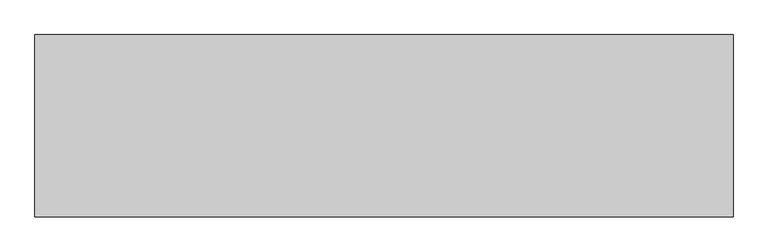
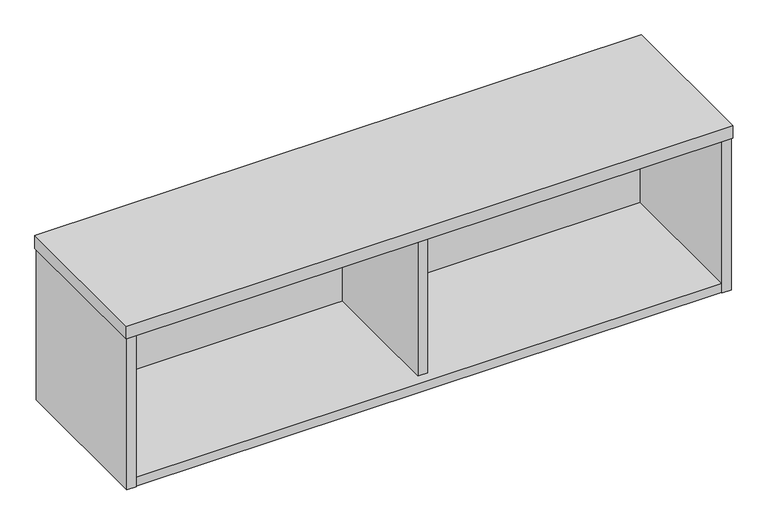
"""IFC4 building model written with IfcOpenShell, lengths in millimetres: furniture geometry."""

from ifc_helpers import new_model, si_unit, frame, origin, place, context, project, spatial, polyline, outline, extrude, source, transform, mapped, element, save


def furniture_e7ce7535(model_context):
    return source(origin(), model_context, "Body", "SweptSolid", [
        extrude(outline(polyline([(619.2519908, -31.2419997), (619.2519908, -294.131992), (599.9480092, -294.131992), (599.9480092, -31.2419997), (619.2519908, -31.2419997)])), frame((0.0, 0.0, 816.4830116), z_axis=(0.0, 0.0, 1.0), x_axis=(1.0, 0.0, 0.0)), (0.0, 0.0, 1.0), 302.209194),
        extrude(outline(polyline([(22.3519787, -31.2419997), (22.3519787, -11.1759996), (1196.8480213, -11.1759996), (1196.8480213, -31.2419997), (22.3519787, -31.2419997)])), frame((0.0, 0.0, 816.4830116), z_axis=(0.0, 0.0, 1.0), x_axis=(1.0, 0.0, 0.0)), (0.0, 0.0, 1.0), 302.209194),
        extrude(outline(polyline([(1196.8480213, -3.0479999), (1196.8480213, -314.4519908), (22.3519787, -314.4519908), (22.3519787, -3.0479999), (1196.8480213, -3.0479999)])), frame((0.0, 0.0, 797.179), z_axis=(0.0, 0.0, 1.0), x_axis=(1.0, 0.0, 0.0)), (0.0, 0.0, 1.0), 19.3040116),
        extrude(outline(polyline([(22.3519787, -315.9759893), (3.0479971, -315.9759893), (3.0479971, -1.524), (22.3519787, -1.524), (22.3519787, -315.9759893)])), frame((0.0, 0.0, 797.179), z_axis=(0.0, 0.0, 1.0), x_axis=(1.0, 0.0, 0.0)), (0.0, 0.0, 1.0), 321.5132056),
        extrude(outline(polyline([(1216.1520029, -315.9759893), (1196.8480213, -315.9759893), (1196.8480213, -1.524), (1216.1520029, -1.524), (1216.1520029, -315.9759893)])), frame((0.0, 0.0, 797.179), z_axis=(0.0, 0.0, 1.0), x_axis=(1.0, 0.0, 0.0)), (0.0, 0.0, 1.0), 321.5132056),
        extrude(outline(polyline([(1.524, -317.5), (1.524, 0.0), (1217.6759651, 0.0), (1217.6759651, -317.5), (1.524, -317.5)])), frame((0.0, 0.0, 1118.6922056), z_axis=(0.0, 0.0, 1.0), x_axis=(1.0, 0.0, 0.0)), (0.0, 0.0, 1.0), 26.9240107),
    ])


if __name__ == "__main__":
    model = new_model("IFC4")
    model_context = context("Model", 3, world=origin())
    ifc_project = project(units=[si_unit("LENGTHUNIT", "METRE", prefix="MILLI")], contexts=[model_context])
    site = spatial("IfcSite", under=ifc_project)
    building = spatial("IfcBuilding", under=site)
    placement = place(None, origin())
    furniture_shape = furniture_e7ce7535(model_context)
    element("IfcFurniture", 1, at=placement, inside=building, context=model_context, shape_type="MappedRepresentation", body=[
        mapped(furniture_shape, transform((0.0, 0.0, 0.0), x_axis=(1.0, 0.0, 0.0), y_axis=(0.0, 1.0, 0.0), z_axis=(0.0, 0.0, 1.0))),
    ])
    save(model, "model.ifc")
